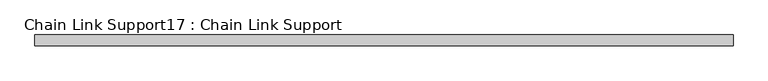
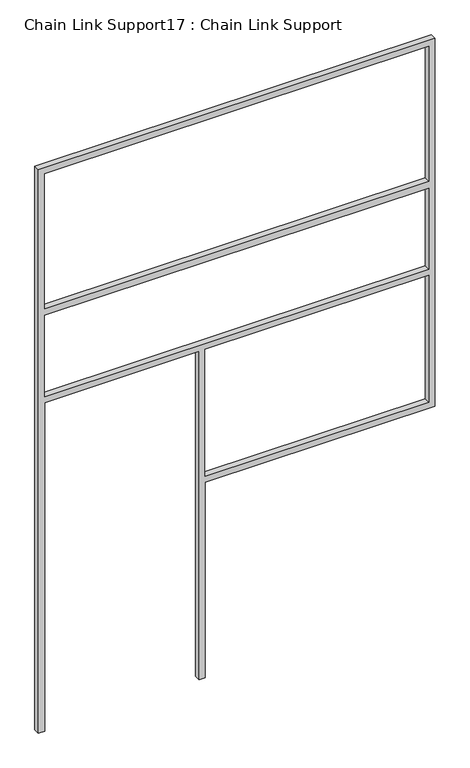
"""IFC4 building model written with IfcOpenShell, lengths in millimetres: proxy geometry, Chain Link Support17 : Chain Link Support."""

from ifc_helpers import new_model, si_unit, frame, origin, place, context, project, spatial, polyline, outline, extrude, source, transform, mapped, element, save


def chain_link_support17_chain_link_support_59d8ad81(model_context):
    return source(origin(), model_context, "Body", "SweptSolid", [
        extrude(outline(polyline([(3657.6, -26369.6012828), (0.0, -26369.6012828), (0.0, -26331.5012828), (2133.6, -26331.5012828), (2133.6, -25382.1762828), (0.0, -25382.1762828), (0.0, -25344.0762828), (1270.0, -25344.0762828), (1270.0, -23931.2012828), (3657.6, -23931.2012828), (3657.6, -26369.6012828)]), holes=[polyline([(2743.2, -26331.5012828), (3619.5, -26331.5012828), (3619.5, -23969.3012828), (2743.2, -23969.3012828), (2743.2, -26331.5012828)]), polyline([(1308.1, -23969.3012828), (1308.1, -25344.0762828), (2133.6, -25344.0762828), (2133.6, -23969.3012828), (1308.1, -23969.3012828)]), polyline([(2171.7, -26331.5012828), (2698.75, -26331.5012828), (2698.75, -23969.3012828), (2171.7, -23969.3012828), (2171.7, -26331.5012828)])]), frame((0.0, 34976.9794992, 0.0), z_axis=(0.0, 1.0, 0.0), x_axis=(0.0, 0.0, 1.0)), (0.0, 0.0, 1.0), 38.1),
    ])


if __name__ == "__main__":
    model = new_model("IFC4")
    model_context = context("Model", 3, world=origin())
    ifc_project = project(units=[si_unit("LENGTHUNIT", "METRE", prefix="MILLI")], contexts=[model_context])
    site = spatial("IfcSite", under=ifc_project)
    building = spatial("IfcBuilding", under=site)
    placement = place(None, origin())
    chain_link_support17_chain_link_support_shape = chain_link_support17_chain_link_support_59d8ad81(model_context)
    element("IfcBuildingElementProxy", 1, Name="Chain Link Support17 : Chain Link Support", ObjectType="Chain Link Support17 : Chain Link Support", at=placement, inside=building, context=model_context, shape_type="MappedRepresentation", body=[
        mapped(chain_link_support17_chain_link_support_shape, transform((0.0, 0.0, 0.0), x_axis=(1.0, 0.0, 0.0), y_axis=(0.0, 1.0, 0.0), z_axis=(0.0, 0.0, 1.0))),
    ])
    save(model, "model.ifc")
